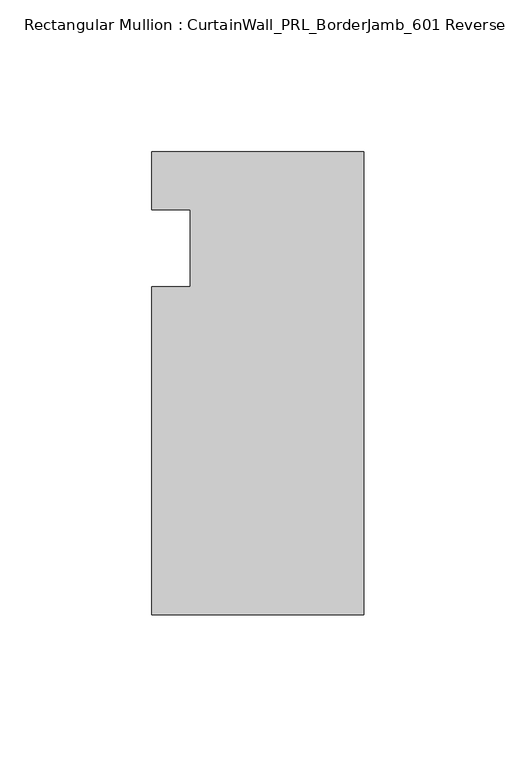
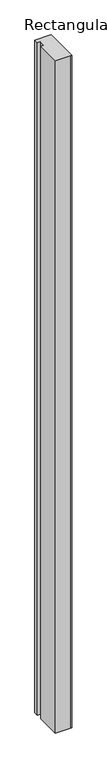
"""IFC4 building model written with IfcOpenShell, lengths in millimetres: member geometry, Rectangular Mullion : CurtainWall_PRL_BorderJamb_601 Reverse."""

import ifcopenshell
import ifcopenshell.guid

model = None  # the IFC model being written
_history = None  # IfcOwnerHistory: only IFC2X3 demands one
_inside = {}  # id of a spatial element -> (the spatial element, [elements in it])
_under = {}  # id of a project, library or spatial element -> (it, [spatial elements below it])
_declared = {}  # id of a project -> (the project, [libraries it declares])
_typed = {}  # id of a type object -> (the type object, [elements of that type])
_made_of = {}  # id of a material, layer set ... -> (it, [elements and type objects made of it])


def new_model(schema):
    """Start an empty IFC model of exactly this schema.

    Asked for "IFC4X3", IfcOpenShell would pick the latest addendum, in which some entities
    have other attributes; the version numbers below select the first issue.
    IFC2X3 requires an IfcOwnerHistory on every rooted entity: one is made here for all.
    """
    global model, _history
    if schema == "IFC4X3":
        model = ifcopenshell.file(schema_version=(4, 3, 0, 0))
    else:
        model = ifcopenshell.file(schema=schema)
    _inside.clear()
    _under.clear()
    _declared.clear()
    _typed.clear()
    _made_of.clear()
    _history = None
    if model.schema == "IFC2X3":
        org = make("IfcOrganization", Name="unknown")
        user = make(
            "IfcPersonAndOrganization",
            ThePerson=make("IfcPerson", FamilyName="unknown"),
            TheOrganization=org,
        )
        app = make(
            "IfcApplication",
            ApplicationDeveloper=org,
            Version="unknown",
            ApplicationFullName="unknown",
            ApplicationIdentifier="unknown",
        )
        _history = make(
            "IfcOwnerHistory",
            OwningUser=user,
            OwningApplication=app,
            ChangeAction="ADDED",
            CreationDate=0,
        )
    return model


def make(cls, **values):
    """One entity of the class cls with the attributes given. An attribute that is None is left unset."""
    return model.create_entity(
        cls, **{name: value for name, value in values.items() if value is not None}
    )


def rooted(cls, **values):
    """An entity with a GlobalId (a new one), such as an element, a storey or a relation."""
    return make(cls, GlobalId=ifcopenshell.guid.new(), OwnerHistory=_history, **values)


def si_unit(unit_type, name, prefix=None):
    """IfcSIUnit, for example si_unit("LENGTHUNIT", "METRE", prefix="MILLI")."""
    return make("IfcSIUnit", UnitType=unit_type, Prefix=prefix, Name=name)


def assignment(units):
    """IfcUnitAssignment: the units of a project."""
    return None if units is None else make("IfcUnitAssignment", Units=units)


def point(xyz):
    """IfcCartesianPoint."""
    return None if xyz is None else make("IfcCartesianPoint", Coordinates=xyz)


def direction(xyz):
    """IfcDirection."""
    return None if xyz is None else make("IfcDirection", DirectionRatios=xyz)


def frame(location, z_axis=None, x_axis=None):
    """IfcAxis2Placement3D, a coordinate frame: its origin and axes. An axis left out is left unset."""
    return make(
        "IfcAxis2Placement3D",
        Location=point(location),
        Axis=direction(z_axis),
        RefDirection=direction(x_axis),
    )


def origin():
    """The frame at (0, 0, 0) with its axes left unset."""
    return frame((0.0, 0.0, 0.0))


def place(relative_to, where):
    """IfcLocalPlacement: puts the frame where relative to a parent placement (None: the world)."""
    return make(
        "IfcLocalPlacement", PlacementRelTo=relative_to, RelativePlacement=where
    )


def context(
    kind, dimensions, precision=None, world=None, true_north=None, identifier=None
):
    """IfcGeometricRepresentationContext, for example the 3D "Model" context."""
    return make(
        "IfcGeometricRepresentationContext",
        ContextIdentifier=identifier,
        ContextType=kind,
        CoordinateSpaceDimension=dimensions,
        Precision=precision,
        WorldCoordinateSystem=world,
        TrueNorth=true_north,
    )


def project(units=None, contexts=None):
    """IfcProject with its units and contexts."""
    return rooted(
        "IfcProject",
        Name="project",
        RepresentationContexts=contexts,
        UnitsInContext=assignment(units),
    )


def spatial(cls, under=None, at=None, **own):
    """A site, building, storey or space (cls), placed at a placement, below another one or the project."""
    s = rooted(cls, ObjectPlacement=at, **own)
    if under is not None:
        _under.setdefault(under.id(), (under, []))[1].append(s)
    return s


def polyline(points):
    """IfcPolyline through the points."""
    return make("IfcPolyline", Points=[point(p) for p in points])


def outline(outer, holes=None, kind="AREA"):
    """IfcArbitraryClosedProfileDef: a profile drawn as a closed curve; with holes, ...WithVoids."""
    if holes is None:
        return make("IfcArbitraryClosedProfileDef", ProfileType=kind, OuterCurve=outer)
    return make(
        "IfcArbitraryProfileDefWithVoids",
        ProfileType=kind,
        OuterCurve=outer,
        InnerCurves=holes,
    )


def extrude(swept, where, along, depth):
    """IfcExtrudedAreaSolid: the profile swept, set in the frame where, extruded along a direction by depth."""
    return make(
        "IfcExtrudedAreaSolid",
        SweptArea=swept,
        Position=where,
        ExtrudedDirection=direction(along),
        Depth=depth,
    )


def shape(context_of_items, identifier, shape_type, items):
    """IfcShapeRepresentation: the items that make up one representation, for example the "Body"."""
    return make(
        "IfcShapeRepresentation",
        ContextOfItems=context_of_items,
        RepresentationIdentifier=identifier,
        RepresentationType=shape_type,
        Items=items,
    )


def source(mapping_origin, context_of_items, identifier, shape_type, items):
    """IfcRepresentationMap: a shape defined once, which mapped items show again and again."""
    return make(
        "IfcRepresentationMap",
        MappingOrigin=mapping_origin,
        MappedRepresentation=shape(context_of_items, identifier, shape_type, items),
    )


def transform(
    local_origin,
    x_axis=None,
    y_axis=None,
    z_axis=None,
    scale=None,
    scale2=None,
    scale3=None,
    uniform=True,
):
    """IfcCartesianTransformationOperator3D, or its non-uniform kind. x_axis, y_axis, z_axis: its Axis1, 2, 3."""
    if uniform:
        return make(
            "IfcCartesianTransformationOperator3D",
            Axis1=direction(x_axis),
            Axis2=direction(y_axis),
            LocalOrigin=point(local_origin),
            Scale=scale,
            Axis3=direction(z_axis),
        )
    return make(
        "IfcCartesianTransformationOperator3DnonUniform",
        Axis1=direction(x_axis),
        Axis2=direction(y_axis),
        LocalOrigin=point(local_origin),
        Scale=scale,
        Axis3=direction(z_axis),
        Scale2=scale2,
        Scale3=scale3,
    )


def mapped(mapping_source, mapping_target):
    """IfcMappedItem: shows the shape of a source again, moved by a transform."""
    return make(
        "IfcMappedItem", MappingSource=mapping_source, MappingTarget=mapping_target
    )


def made_of(thing, what):
    """Note that an element or type object is made of a material, layer set ...; save() writes the relation."""
    if what is not None:
        _made_of.setdefault(what.id(), (what, []))[1].append(thing)
    return thing


def element(
    cls,
    number,
    at=None,
    inside=None,
    cuts=None,
    type_object=None,
    material=None,
    context=None,
    identifier="Body",
    shape_type=None,
    held_by="IfcProductDefinitionShape",
    body=None,
    shapes=None,
    **own,
):
    """One element of the class cls, such as IfcWall. Its Tag is "e" and its number.

    at: its placement. inside: the storey or other place that contains it. cuts: it is an
    opening in that element (IfcRelVoidsElement). A single representation is given by context,
    identifier, shape_type and body (its items); several are given by shapes. held_by: the class
    of the entity that holds the representations. save() writes the other relations.
    """
    e = rooted(cls, Tag="e%d" % number, ObjectPlacement=at, **own)
    if body is not None:
        shapes = [shape(context, identifier, shape_type, body)]
    if shapes is not None:
        e.Representation = make(held_by, Representations=shapes)
    if inside is not None:
        _inside.setdefault(inside.id(), (inside, []))[1].append(e)
    if cuts is not None:
        rooted(
            "IfcRelVoidsElement", RelatingBuildingElement=cuts, RelatedOpeningElement=e
        )
    if type_object is not None:
        _typed.setdefault(type_object.id(), (type_object, []))[1].append(e)
    return made_of(e, material)


def aggregate(whole, parts):
    """IfcRelAggregates: a whole, such as a stair, and the parts it consists of."""
    return rooted("IfcRelAggregates", RelatingObject=whole, RelatedObjects=parts)


def save(model, path):
    """Write the relations noted so far, then the file.

    IfcRelAggregates (storeys below a building ...), IfcRelContainedInSpatialStructure (elements
    in a storey), IfcRelDefinesByType, IfcRelAssociatesMaterial and IfcRelDeclares: one each for
    every whole, place, type object, material and project.
    """
    for whole, parts in _under.values():
        aggregate(whole, parts)
    for where, things in _inside.values():
        rooted(
            "IfcRelContainedInSpatialStructure",
            RelatedElements=things,
            RelatingStructure=where,
        )
    for kind, things in _typed.values():
        rooted("IfcRelDefinesByType", RelatedObjects=things, RelatingType=kind)
    for what, things in _made_of.values():
        rooted("IfcRelAssociatesMaterial", RelatedObjects=things, RelatingMaterial=what)
    for by, libraries in _declared.values():
        rooted("IfcRelDeclares", RelatingContext=by, RelatedDefinitions=libraries)
    model.write(path)


def rectangular_mullion_curtainwall_prl_borderjamb_601_reverse_2124febb(model_context):
    return source(origin(), model_context, "Body", "SweptSolid", [
        extrude(outline(polyline([(-57.15, -12.7), (-57.15, 12.7), (-69.85, 12.7), (-69.85, 31.75), (-7.3958824, 31.75), (0.0, 31.75), (0.0, -120.65), (-6.35, -120.65), (-69.85, -120.65), (-69.85, -12.7), (-57.15, -12.7)])), frame((0.0, 0.0, -3048.0), z_axis=(0.0, 0.0, 1.0), x_axis=(1.0, 0.0, 0.0)), (0.0, 0.0, 1.0), 3048.0),
    ])


if __name__ == "__main__":
    model = new_model("IFC4")
    model_context = context("Model", 3, world=origin())
    ifc_project = project(units=[si_unit("LENGTHUNIT", "METRE", prefix="MILLI")], contexts=[model_context])
    site = spatial("IfcSite", under=ifc_project)
    building = spatial("IfcBuilding", under=site)
    placement = place(None, origin())
    rectangular_mullion_curtainwall_prl_borderjamb_601_reverse_shape = rectangular_mullion_curtainwall_prl_borderjamb_601_reverse_2124febb(model_context)
    element("IfcMember", 1, ObjectType="Rectangular Mullion : CurtainWall_PRL_BorderJamb_601 Reverse", at=placement, inside=building, context=model_context, shape_type="MappedRepresentation", body=[
        mapped(rectangular_mullion_curtainwall_prl_borderjamb_601_reverse_shape, transform((0.0, 0.0, 0.0), x_axis=(1.0, 0.0, 0.0), y_axis=(0.0, 1.0, 0.0), z_axis=(0.0, 0.0, 1.0))),
    ])
    save(model, "model.ifc")
